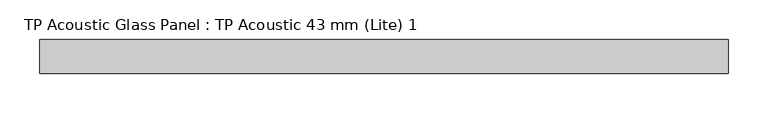
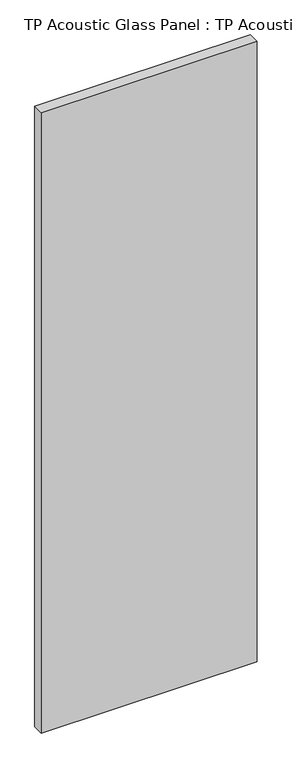
"""IFC4 building model written with IfcOpenShell, lengths in millimetres: plate geometry, TP Acoustic Glass Panel : TP Acoustic 43 mm (Lite) 1."""

from ifc_helpers import new_model, si_unit, origin, origin_with_axes, place, context, project, spatial, polyline, outline, extrude, source, transform, mapped, element, save


def tp_acoustic_glass_panel_tp_acoustic_43_mm_lite_1_864268bb(model_context):
    return source(origin(), model_context, "Body", "SweptSolid", [
        extrude(outline(polyline([(432.625, 21.5), (432.625, -21.5), (-432.625, -21.5), (-432.625, 21.5), (432.625, 21.5)])), origin_with_axes(), (0.0, 0.0, 1.0), 2628.0),
    ])


if __name__ == "__main__":
    model = new_model("IFC4")
    model_context = context("Model", 3, world=origin())
    ifc_project = project(units=[si_unit("LENGTHUNIT", "METRE", prefix="MILLI")], contexts=[model_context])
    site = spatial("IfcSite", under=ifc_project)
    building = spatial("IfcBuilding", under=site)
    placement = place(None, origin())
    tp_acoustic_glass_panel_tp_acoustic_43_mm_lite_1_shape = tp_acoustic_glass_panel_tp_acoustic_43_mm_lite_1_864268bb(model_context)
    element("IfcPlate", 1, ObjectType="TP Acoustic Glass Panel : TP Acoustic 43 mm (Lite) 1", at=placement, inside=building, context=model_context, shape_type="MappedRepresentation", body=[
        mapped(tp_acoustic_glass_panel_tp_acoustic_43_mm_lite_1_shape, transform((0.0, 0.0, 0.0), x_axis=(1.0, 0.0, 0.0), y_axis=(0.0, 1.0, 0.0), z_axis=(0.0, 0.0, 1.0))),
    ])
    save(model, "model.ifc")
